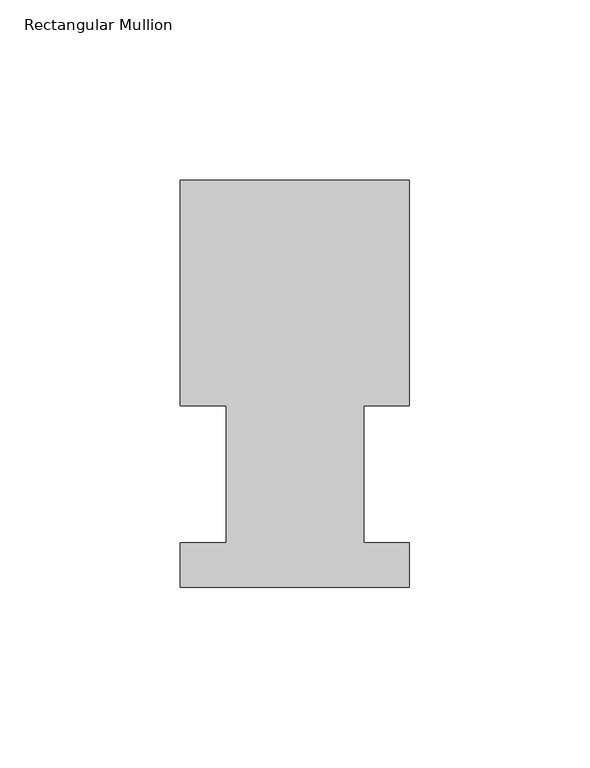
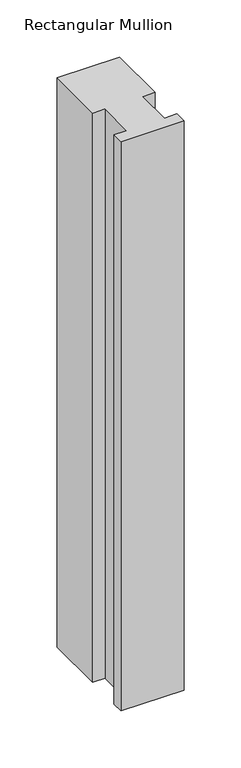
"""IFC4 building model written with IfcOpenShell, lengths in millimetres: member geometry, Rectangular Mullion."""

from ifc_helpers import new_model, si_unit, frame, origin, place, context, project, spatial, polyline, outline, extrude, source, transform, mapped, element, save


def rectangular_mullion_85c050ab(model_context):
    return source(origin(), model_context, "Body", "SweptSolid", [
        extrude(outline(polyline([(-63.5254, 52.5859375), (-63.5254, 115.0699375), (0.0, 115.0699375), (0.0, 52.5859375), (-12.602764, 52.5859375), (-12.602764, 14.4858895), (0.0, 14.4858895), (0.0, 2.1909696), (-63.5, 2.1909696), (-63.5, 14.4859394), (-50.7405803, 14.4859394), (-50.7405803, 52.5859375), (-63.5254, 52.5859375)])), frame((0.0, 0.0, -609.6), z_axis=(0.0, 0.0, 1.0), x_axis=(1.0, 0.0, 0.0)), (0.0, 0.0, 1.0), 609.6),
    ])


if __name__ == "__main__":
    model = new_model("IFC4")
    model_context = context("Model", 3, world=origin())
    ifc_project = project(units=[si_unit("LENGTHUNIT", "METRE", prefix="MILLI")], contexts=[model_context])
    site = spatial("IfcSite", under=ifc_project)
    building = spatial("IfcBuilding", under=site)
    placement = place(None, origin())
    rectangular_mullion_shape = rectangular_mullion_85c050ab(model_context)
    element("IfcMember", 1, ObjectType="Rectangular Mullion", at=placement, inside=building, context=model_context, shape_type="MappedRepresentation", body=[
        mapped(rectangular_mullion_shape, transform((0.0, 0.0, 0.0), x_axis=(1.0, 0.0, 0.0), y_axis=(0.0, 1.0, 0.0), z_axis=(0.0, 0.0, 1.0))),
    ])
    save(model, "model.ifc")
